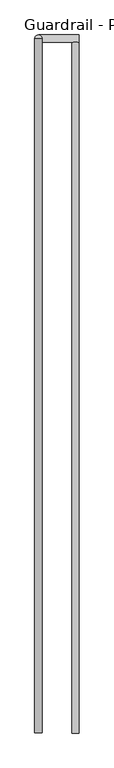
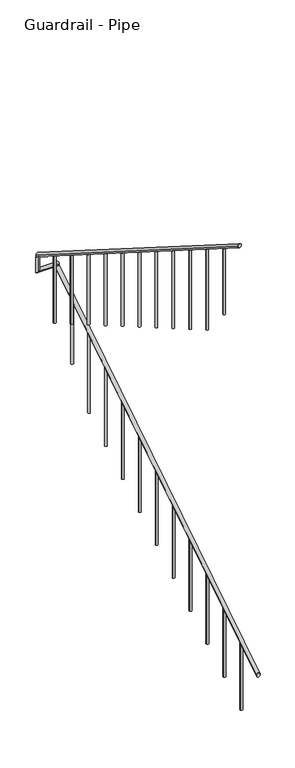
"""IFC4 building model written with IfcOpenShell, lengths in millimetres: railing geometry, Guardrail - Pipe."""

from ifc_helpers import new_model, si_unit, frame, origin, place, context, project, spatial, circle_curve, ellipse_curve, source, transform, mapped, element, save
from ifc_brep_helpers import plane_surface, cylinder_surface, advanced_brep


def guardrail_pipe_ef96b3fa(model_context):
    return source(origin(), model_context, "Body", "AdvancedBrep", [
        advanced_brep(
        [(307192.9957983, -254508.8080223, 916.3134838), (307154.8957983, -254508.8080223, 916.3134838), (307192.9957983, -250895.6580223, 3203.4252683), (307154.8957983, -250895.6580223, 3203.4252683)],
        [
            (0, 1, ellipse_curve(frame((307173.9457983, -254508.8080223, 916.3134838), z_axis=(0.0, -1.0, 0.0), x_axis=(0.0, 0.0, -1.0)), 22.5457755, 19.05)),
            (1, 0, ellipse_curve(frame((307173.9457983, -254508.8080223, 916.3134838), z_axis=(0.0, -1.0, 0.0), x_axis=(0.0, 0.0, -1.0)), 22.5457755, 19.05)),
            (2, 3, ellipse_curve(frame((307173.9457983, -250895.6580223, 3203.4252683), z_axis=(0.0, 1.0, 0.0), x_axis=(0.0, 0.0, -1.0)), 22.5457755, 19.05)),
            (3, 2, ellipse_curve(frame((307173.9457983, -250895.6580223, 3203.4252683), z_axis=(0.0, 1.0, 0.0), x_axis=(0.0, 0.0, -1.0)), 22.5457755, 19.05)),
            (0, 2),
            (3, 1),
        ],
        [
            plane_surface(frame((307173.9457983, -254508.8080223, 938.8592593), z_axis=(0.0, -1.0, 0.0), x_axis=(0.0, 0.0, 1.0))),
            plane_surface(frame((307173.9457983, -250895.6580223, 3225.9710438), z_axis=(0.0, 1.0, 0.0), x_axis=(0.0, 0.0, 1.0))),
            cylinder_surface(frame((307173.9457983, -254498.6191486, 922.7630065), z_axis=(0.0, -0.8449476488296452, -0.5348490167675869), x_axis=(-1.0, 0.0, 0.0)), 19.05),
        ],
        [
            (0, [[1, 2]]),
            (1, [[3, 4]]),
            (2, [[-1, 5, -4, 6]]),
            (2, [[-2, -6, -3, -5]]),
        ],
    ),
        advanced_brep(
        [(307192.9957983, -250857.5580223, 3218.9796296), (307192.9957983, -250895.6580223, 3218.9796296), (306979.4254676, -250857.5580223, 3218.9796296), (306979.4254676, -250895.6580223, 3218.9796296), (306979.4254676, -250857.5580223, 3357.738752), (306979.4254676, -250895.6580223, 3381.8559237)],
        [
            (0, 1, circle_curve(frame((307192.9957983, -250876.6080223, 3218.9796296), z_axis=(1.0, 0.0, 0.0), x_axis=(0.0, -1.0, 0.0)), 19.05)),
            (1, 0, circle_curve(frame((307192.9957983, -250876.6080223, 3218.9796296), z_axis=(1.0, 0.0, 0.0), x_axis=(0.0, -1.0, 0.0)), 19.05)),
            (0, 2),
            (2, 3, ellipse_curve(frame((306979.4254676, -250876.6080223, 3218.9796296), z_axis=(0.7071067811865475, 0.0, -0.7071067811865475), x_axis=(0.7071067811865476, 0.0, 0.7071067811865474)), 26.9407684, 19.05)),
            (3, 1),
            (3, 2, ellipse_curve(frame((306979.4254676, -250876.6080223, 3218.9796296), z_axis=(0.7071067811865475, 0.0, -0.7071067811865475), x_axis=(0.7071067811865476, 0.0, 0.7071067811865474)), 26.9407684, 19.05)),
            (4, 5, ellipse_curve(frame((306979.4254676, -250876.6080223, 3369.7973379), z_axis=(0.0, 0.5348490167675869, 0.8449476488296452), x_axis=(0.0, 0.8449476488296452, -0.5348490167675869)), 22.5457755, 19.05)),
            (5, 4, ellipse_curve(frame((306979.4254676, -250876.6080223, 3369.7973379), z_axis=(0.0, 0.5348490167675869, 0.8449476488296452), x_axis=(0.0, 0.8449476488296452, -0.5348490167675869)), 22.5457755, 19.05)),
            (2, 4),
            (5, 3),
        ],
        [
            plane_surface(frame((307192.9957983, -250876.6080223, 3238.0296296), z_axis=(1.0, 0.0, 0.0), x_axis=(0.0, -1.0, 0.0))),
            cylinder_surface(frame((307192.9957983, -250876.6080223, 3218.9796296), z_axis=(1.0, 0.0, 0.0), x_axis=(0.0, -1.0, 0.0)), 19.05),
            plane_surface(frame((306998.4754676, -250876.6080223, 3369.7973379), z_axis=(0.0, 0.5348490167675869, 0.8449476488296452), x_axis=(1.0, 0.0, 0.0))),
            cylinder_surface(frame((306979.4254676, -250876.6080223, 3238.0296296), z_axis=(0.0, 0.0, -1.0), x_axis=(0.0, -1.0, 0.0)), 19.05),
        ],
        [
            (0, [[1, 2]]),
            (1, [[-1, 3, 4, 5]]),
            (1, [[-2, -5, 6, -3]]),
            (2, [[7, 8]]),
            (3, [[-4, 9, -8, 10]]),
            (3, [[-6, -10, -7, -9]]),
        ],
    ),
        advanced_brep(
        [(306960.3754676, -250876.6080223, 3392.3431134), (306998.4754676, -250876.6080223, 3392.3431134), (306960.3754676, -254508.8080223, 5691.5134838), (306998.4754676, -254508.8080223, 5691.5134838)],
        [
            (0, 1, ellipse_curve(frame((306979.4254676, -250876.6080223, 3392.3431134), z_axis=(0.0, 1.0, 0.0), x_axis=(0.0, 0.0, -1.0)), 22.5457755, 19.05)),
            (1, 0, ellipse_curve(frame((306979.4254676, -250876.6080223, 3392.3431134), z_axis=(0.0, 1.0, 0.0), x_axis=(0.0, 0.0, -1.0)), 22.5457755, 19.05)),
            (2, 3, ellipse_curve(frame((306979.4254676, -254508.8080223, 5691.5134838), z_axis=(0.0, -1.0, 0.0), x_axis=(0.0, 0.0, -1.0)), 22.5457755, 19.05)),
            (3, 2, ellipse_curve(frame((306979.4254676, -254508.8080223, 5691.5134838), z_axis=(0.0, -1.0, 0.0), x_axis=(0.0, 0.0, -1.0)), 22.5457755, 19.05)),
            (0, 2),
            (3, 1),
        ],
        [
            plane_surface(frame((306979.4254676, -250876.6080223, 3414.8888889), z_axis=(0.0, 1.0, 0.0), x_axis=(0.0, 0.0, -1.0))),
            plane_surface(frame((306979.4254676, -254508.8080223, 5714.0592593), z_axis=(0.0, -1.0, 0.0), x_axis=(0.0, 0.0, -1.0))),
            cylinder_surface(frame((306979.4254676, -250886.7968961, 3398.7926362), z_axis=(0.0, 0.8449476488296452, -0.5348490167675869), x_axis=(1.0, 0.0, 0.0)), 19.05),
        ],
        [
            (0, [[1, 2]]),
            (1, [[3, 4]]),
            (2, [[-1, 5, -4, 6]]),
            (2, [[-2, -6, -3, -5]]),
        ],
    ),
        advanced_brep(
        [(306992.1254676, -254229.4080223, 5492.108449), (306966.7254676, -254229.4080223, 5492.108449), (306966.7254676, -254229.4080223, 4775.2), (306992.1254676, -254229.4080223, 4775.2)],
        [
            (0, 1, ellipse_curve(frame((306979.4254676, -254229.4080223, 5492.108449), z_axis=(0.0, -0.534849016767586, -0.8449476488296459), x_axis=(0.0, -0.8449476488296459, 0.5348490167675857)), 15.030517, 12.7)),
            (1, 2),
            (2, 3, circle_curve(frame((306979.4254676, -254229.4080223, 4775.2), z_axis=(0.0, 0.0, 1.0), x_axis=(-1.0, 0.0, 0.0)), 12.7)),
            (3, 0),
            (3, 2, circle_curve(frame((306979.4254676, -254229.4080223, 4775.2), z_axis=(0.0, 0.0, 1.0), x_axis=(-1.0, 0.0, 0.0)), 12.7)),
            (1, 0, ellipse_curve(frame((306979.4254676, -254229.4080223, 5492.108449), z_axis=(0.0, -0.534849016767586, -0.8449476488296459), x_axis=(0.0, -0.8449476488296459, 0.5348490167675857)), 15.030517, 12.7)),
        ],
        [
            cylinder_surface(frame((306979.4254676, -254229.4080223, 4546.6), z_axis=(0.0, 0.0, 1.0), x_axis=(-1.0, 0.0, 0.0)), 12.7),
            plane_surface(frame((306954.0254676, -254254.8080223, 5508.1865635), z_axis=(0.0, 0.534849016767586, 0.8449476488296459), x_axis=(1.0, 0.0, 0.0))),
            plane_surface(frame((306954.0254676, -254204.0080223, 4775.2), z_axis=(0.0, 0.0, -1.0), x_axis=(1.0, 0.0, 0.0))),
        ],
        [
            (0, [[1, 2, 3, 4]]),
            (0, [[5, -2, 6, -4]]),
            (1, [[-6, -1]]),
            (2, [[-5, -3]]),
        ],
    ),
        advanced_brep(
        [(306992.1254676, -253924.6080223, 5299.1710753), (306966.7254676, -253924.6080223, 5299.1710753), (306966.7254676, -253924.6080223, 4421.4814815), (306992.1254676, -253924.6080223, 4421.4814815)],
        [
            (0, 1, ellipse_curve(frame((306979.4254676, -253924.6080223, 5299.1710753), z_axis=(0.0, -0.5348490167675843, -0.8449476488296469), x_axis=(0.0, -0.8449476488296469, 0.5348490167675843)), 15.030517, 12.7)),
            (1, 2),
            (2, 3, circle_curve(frame((306979.4254676, -253924.6080223, 4421.4814815), z_axis=(0.0, 0.0, 1.0), x_axis=(-1.0, 0.0, 0.0)), 12.7)),
            (3, 0),
            (3, 2, circle_curve(frame((306979.4254676, -253924.6080223, 4421.4814815), z_axis=(0.0, 0.0, 1.0), x_axis=(-1.0, 0.0, 0.0)), 12.7)),
            (1, 0, ellipse_curve(frame((306979.4254676, -253924.6080223, 5299.1710753), z_axis=(0.0, -0.5348490167675843, -0.8449476488296469), x_axis=(0.0, -0.8449476488296469, 0.5348490167675843)), 15.030517, 12.7)),
        ],
        [
            cylinder_surface(frame((306979.4254676, -253924.6080223, 4192.8814815), z_axis=(0.0, 0.0, 1.0), x_axis=(-1.0, 0.0, 0.0)), 12.7),
            plane_surface(frame((306954.0254676, -253950.0080223, 5315.2491897), z_axis=(0.0, 0.5348490167675843, 0.8449476488296469), x_axis=(1.0, 0.0, 0.0))),
            plane_surface(frame((306954.0254676, -253899.2080223, 4421.4814815), z_axis=(0.0, 0.0, -1.0), x_axis=(1.0, 0.0, 0.0))),
        ],
        [
            (0, [[1, 2, 3, 4]]),
            (0, [[5, -2, 6, -4]]),
            (1, [[-6, -1]]),
            (2, [[-5, -3]]),
        ],
    ),
        advanced_brep(
        [(306992.1254676, -253619.8080223, 5106.2337015), (306966.7254676, -253619.8080223, 5106.2337015), (306966.7254676, -253619.8080223, 4244.6222222), (306992.1254676, -253619.8080223, 4244.6222222)],
        [
            (0, 1, ellipse_curve(frame((306979.4254676, -253619.8080223, 5106.2337015), z_axis=(0.0, -0.534849016767586, -0.8449476488296459), x_axis=(0.0, -0.8449476488296459, 0.5348490167675857)), 15.030517, 12.7)),
            (1, 2),
            (2, 3, circle_curve(frame((306979.4254676, -253619.8080223, 4244.6222222), z_axis=(0.0, 0.0, 1.0), x_axis=(-1.0, 0.0, 0.0)), 12.7)),
            (3, 0),
            (3, 2, circle_curve(frame((306979.4254676, -253619.8080223, 4244.6222222), z_axis=(0.0, 0.0, 1.0), x_axis=(-1.0, 0.0, 0.0)), 12.7)),
            (1, 0, ellipse_curve(frame((306979.4254676, -253619.8080223, 5106.2337015), z_axis=(0.0, -0.534849016767586, -0.8449476488296459), x_axis=(0.0, -0.8449476488296459, 0.5348490167675857)), 15.030517, 12.7)),
        ],
        [
            cylinder_surface(frame((306979.4254676, -253619.8080223, 4016.0222222), z_axis=(0.0, 0.0, 1.0), x_axis=(-1.0, 0.0, 0.0)), 12.7),
            plane_surface(frame((306954.0254676, -253645.2080223, 5122.311816), z_axis=(0.0, 0.534849016767586, 0.8449476488296459), x_axis=(1.0, 0.0, 0.0))),
            plane_surface(frame((306954.0254676, -253594.4080223, 4244.6222222), z_axis=(0.0, 0.0, -1.0), x_axis=(1.0, 0.0, 0.0))),
        ],
        [
            (0, [[1, 2, 3, 4]]),
            (0, [[5, -2, 6, -4]]),
            (1, [[-6, -1]]),
            (2, [[-5, -3]]),
        ],
    ),
        advanced_brep(
        [(306992.1254676, -253315.0080223, 4913.2963278), (306966.7254676, -253315.0080223, 4913.2963278), (306966.7254676, -253315.0080223, 4067.762963), (306992.1254676, -253315.0080223, 4067.762963)],
        [
            (0, 1, ellipse_curve(frame((306979.4254676, -253315.0080223, 4913.2963278), z_axis=(0.0, -0.534849016767586, -0.8449476488296459), x_axis=(0.0, -0.8449476488296459, 0.5348490167675857)), 15.030517, 12.7)),
            (1, 2),
            (2, 3, circle_curve(frame((306979.4254676, -253315.0080223, 4067.762963), z_axis=(0.0, 0.0, 1.0), x_axis=(-1.0, 0.0, 0.0)), 12.7)),
            (3, 0),
            (3, 2, circle_curve(frame((306979.4254676, -253315.0080223, 4067.762963), z_axis=(0.0, 0.0, 1.0), x_axis=(-1.0, 0.0, 0.0)), 12.7)),
            (1, 0, ellipse_curve(frame((306979.4254676, -253315.0080223, 4913.2963278), z_axis=(0.0, -0.534849016767586, -0.8449476488296459), x_axis=(0.0, -0.8449476488296459, 0.5348490167675857)), 15.030517, 12.7)),
        ],
        [
            cylinder_surface(frame((306979.4254676, -253315.0080223, 3839.162963), z_axis=(0.0, 0.0, 1.0), x_axis=(-1.0, 0.0, 0.0)), 12.7),
            plane_surface(frame((306954.0254676, -253340.4080223, 4929.3744423), z_axis=(0.0, 0.534849016767586, 0.8449476488296459), x_axis=(1.0, 0.0, 0.0))),
            plane_surface(frame((306954.0254676, -253289.6080223, 4067.762963), z_axis=(0.0, 0.0, -1.0), x_axis=(1.0, 0.0, 0.0))),
        ],
        [
            (0, [[1, 2, 3, 4]]),
            (0, [[5, -2, 6, -4]]),
            (1, [[-6, -1]]),
            (2, [[-5, -3]]),
        ],
    ),
        advanced_brep(
        [(306992.1254676, -253010.2080223, 4720.358954), (306966.7254676, -253010.2080223, 4720.358954), (306966.7254676, -253010.2080223, 3890.9037037), (306992.1254676, -253010.2080223, 3890.9037037)],
        [
            (0, 1, ellipse_curve(frame((306979.4254676, -253010.2080223, 4720.358954), z_axis=(0.0, -0.5348490167675843, -0.8449476488296469), x_axis=(0.0, -0.8449476488296469, 0.5348490167675843)), 15.030517, 12.7)),
            (1, 2),
            (2, 3, circle_curve(frame((306979.4254676, -253010.2080223, 3890.9037037), z_axis=(0.0, 0.0, 1.0), x_axis=(-1.0, 0.0, 0.0)), 12.7)),
            (3, 0),
            (3, 2, circle_curve(frame((306979.4254676, -253010.2080223, 3890.9037037), z_axis=(0.0, 0.0, 1.0), x_axis=(-1.0, 0.0, 0.0)), 12.7)),
            (1, 0, ellipse_curve(frame((306979.4254676, -253010.2080223, 4720.358954), z_axis=(0.0, -0.5348490167675843, -0.8449476488296469), x_axis=(0.0, -0.8449476488296469, 0.5348490167675843)), 15.030517, 12.7)),
        ],
        [
            cylinder_surface(frame((306979.4254676, -253010.2080223, 3662.3037037), z_axis=(0.0, 0.0, 1.0), x_axis=(-1.0, 0.0, 0.0)), 12.7),
            plane_surface(frame((306954.0254676, -253035.6080223, 4736.4370685), z_axis=(0.0, 0.5348490167675843, 0.8449476488296469), x_axis=(1.0, 0.0, 0.0))),
            plane_surface(frame((306954.0254676, -252984.8080223, 3890.9037037), z_axis=(0.0, 0.0, -1.0), x_axis=(1.0, 0.0, 0.0))),
        ],
        [
            (0, [[1, 2, 3, 4]]),
            (0, [[5, -2, 6, -4]]),
            (1, [[-6, -1]]),
            (2, [[-5, -3]]),
        ],
    ),
        advanced_brep(
        [(306992.1254676, -252705.4080223, 4527.4215803), (306966.7254676, -252705.4080223, 4527.4215803), (306966.7254676, -252705.4080223, 3714.0444444), (306992.1254676, -252705.4080223, 3714.0444444)],
        [
            (0, 1, ellipse_curve(frame((306979.4254676, -252705.4080223, 4527.4215803), z_axis=(0.0, -0.5348490167675828, -0.844947648829648), x_axis=(0.0, -0.8449476488296481, 0.5348490167675825)), 15.030517, 12.7)),
            (1, 2),
            (2, 3, circle_curve(frame((306979.4254676, -252705.4080223, 3714.0444444), z_axis=(0.0, 0.0, 1.0), x_axis=(-1.0, 0.0, 0.0)), 12.7)),
            (3, 0),
            (3, 2, circle_curve(frame((306979.4254676, -252705.4080223, 3714.0444444), z_axis=(0.0, 0.0, 1.0), x_axis=(-1.0, 0.0, 0.0)), 12.7)),
            (1, 0, ellipse_curve(frame((306979.4254676, -252705.4080223, 4527.4215803), z_axis=(0.0, -0.5348490167675828, -0.844947648829648), x_axis=(0.0, -0.8449476488296481, 0.5348490167675825)), 15.030517, 12.7)),
        ],
        [
            cylinder_surface(frame((306979.4254676, -252705.4080223, 3485.4444444), z_axis=(0.0, 0.0, 1.0), x_axis=(-1.0, 0.0, 0.0)), 12.7),
            plane_surface(frame((306954.0254676, -252730.8080223, 4543.4996948), z_axis=(0.0, 0.5348490167675828, 0.844947648829648), x_axis=(1.0, 0.0, 0.0))),
            plane_surface(frame((306954.0254676, -252680.0080223, 3714.0444444), z_axis=(0.0, 0.0, -1.0), x_axis=(1.0, 0.0, 0.0))),
        ],
        [
            (0, [[1, 2, 3, 4]]),
            (0, [[5, -2, 6, -4]]),
            (1, [[-6, -1]]),
            (2, [[-5, -3]]),
        ],
    ),
        advanced_brep(
        [(306992.1254676, -252400.6080223, 4334.4842066), (306966.7254676, -252400.6080223, 4334.4842066), (306966.7254676, -252400.6080223, 3537.1851852), (306992.1254676, -252400.6080223, 3537.1851852)],
        [
            (0, 1, ellipse_curve(frame((306979.4254676, -252400.6080223, 4334.4842066), z_axis=(0.0, -0.5348490167675843, -0.8449476488296469), x_axis=(0.0, -0.8449476488296469, 0.5348490167675843)), 15.030517, 12.7)),
            (1, 2),
            (2, 3, circle_curve(frame((306979.4254676, -252400.6080223, 3537.1851852), z_axis=(0.0, 0.0, 1.0), x_axis=(-1.0, 0.0, 0.0)), 12.7)),
            (3, 0),
            (3, 2, circle_curve(frame((306979.4254676, -252400.6080223, 3537.1851852), z_axis=(0.0, 0.0, 1.0), x_axis=(-1.0, 0.0, 0.0)), 12.7)),
            (1, 0, ellipse_curve(frame((306979.4254676, -252400.6080223, 4334.4842066), z_axis=(0.0, -0.5348490167675843, -0.8449476488296469), x_axis=(0.0, -0.8449476488296469, 0.5348490167675843)), 15.030517, 12.7)),
        ],
        [
            cylinder_surface(frame((306979.4254676, -252400.6080223, 3308.5851852), z_axis=(0.0, 0.0, 1.0), x_axis=(-1.0, 0.0, 0.0)), 12.7),
            plane_surface(frame((306954.0254676, -252426.0080223, 4350.5623211), z_axis=(0.0, 0.5348490167675843, 0.8449476488296469), x_axis=(1.0, 0.0, 0.0))),
            plane_surface(frame((306954.0254676, -252375.2080223, 3537.1851852), z_axis=(0.0, 0.0, -1.0), x_axis=(1.0, 0.0, 0.0))),
        ],
        [
            (0, [[1, 2, 3, 4]]),
            (0, [[5, -2, 6, -4]]),
            (1, [[-6, -1]]),
            (2, [[-5, -3]]),
        ],
    ),
        advanced_brep(
        [(306992.1254676, -252095.8080223, 4141.5468328), (306966.7254676, -252095.8080223, 4141.5468328), (306966.7254676, -252095.8080223, 3360.3259259), (306992.1254676, -252095.8080223, 3360.3259259)],
        [
            (0, 1, ellipse_curve(frame((306979.4254676, -252095.8080223, 4141.5468328), z_axis=(0.0, -0.5348490167675843, -0.8449476488296469), x_axis=(0.0, -0.8449476488296469, 0.5348490167675843)), 15.030517, 12.7)),
            (1, 2),
            (2, 3, circle_curve(frame((306979.4254676, -252095.8080223, 3360.3259259), z_axis=(0.0, 0.0, 1.0), x_axis=(-1.0, 0.0, 0.0)), 12.7)),
            (3, 0),
            (3, 2, circle_curve(frame((306979.4254676, -252095.8080223, 3360.3259259), z_axis=(0.0, 0.0, 1.0), x_axis=(-1.0, 0.0, 0.0)), 12.7)),
            (1, 0, ellipse_curve(frame((306979.4254676, -252095.8080223, 4141.5468328), z_axis=(0.0, -0.5348490167675843, -0.8449476488296469), x_axis=(0.0, -0.8449476488296469, 0.5348490167675843)), 15.030517, 12.7)),
        ],
        [
            cylinder_surface(frame((306979.4254676, -252095.8080223, 3131.7259259), z_axis=(0.0, 0.0, 1.0), x_axis=(-1.0, 0.0, 0.0)), 12.7),
            plane_surface(frame((306954.0254676, -252121.2080223, 4157.6249473), z_axis=(0.0, 0.5348490167675843, 0.8449476488296469), x_axis=(1.0, 0.0, 0.0))),
            plane_surface(frame((306954.0254676, -252070.4080223, 3360.3259259), z_axis=(0.0, 0.0, -1.0), x_axis=(1.0, 0.0, 0.0))),
        ],
        [
            (0, [[1, 2, 3, 4]]),
            (0, [[5, -2, 6, -4]]),
            (1, [[-6, -1]]),
            (2, [[-5, -3]]),
        ],
    ),
        advanced_brep(
        [(306992.1254676, -251791.0080223, 3948.6094591), (306966.7254676, -251791.0080223, 3948.6094591), (306966.7254676, -251791.0080223, 3183.4666667), (306992.1254676, -251791.0080223, 3183.4666667)],
        [
            (0, 1, ellipse_curve(frame((306979.4254676, -251791.0080223, 3948.6094591), z_axis=(0.0, -0.5348490167675843, -0.8449476488296469), x_axis=(0.0, -0.8449476488296469, 0.5348490167675843)), 15.030517, 12.7)),
            (1, 2),
            (2, 3, circle_curve(frame((306979.4254676, -251791.0080223, 3183.4666667), z_axis=(0.0, 0.0, 1.0), x_axis=(-1.0, 0.0, 0.0)), 12.7)),
            (3, 0),
            (3, 2, circle_curve(frame((306979.4254676, -251791.0080223, 3183.4666667), z_axis=(0.0, 0.0, 1.0), x_axis=(-1.0, 0.0, 0.0)), 12.7)),
            (1, 0, ellipse_curve(frame((306979.4254676, -251791.0080223, 3948.6094591), z_axis=(0.0, -0.5348490167675843, -0.8449476488296469), x_axis=(0.0, -0.8449476488296469, 0.5348490167675843)), 15.030517, 12.7)),
        ],
        [
            cylinder_surface(frame((306979.4254676, -251791.0080223, 2954.8666667), z_axis=(0.0, 0.0, 1.0), x_axis=(-1.0, 0.0, 0.0)), 12.7),
            plane_surface(frame((306954.0254676, -251816.4080223, 3964.6875736), z_axis=(0.0, 0.5348490167675843, 0.8449476488296469), x_axis=(1.0, 0.0, 0.0))),
            plane_surface(frame((306954.0254676, -251765.6080223, 3183.4666667), z_axis=(0.0, 0.0, -1.0), x_axis=(1.0, 0.0, 0.0))),
        ],
        [
            (0, [[1, 2, 3, 4]]),
            (0, [[5, -2, 6, -4]]),
            (1, [[-6, -1]]),
            (2, [[-5, -3]]),
        ],
    ),
        advanced_brep(
        [(306992.1254676, -251486.2080223, 3755.6720854), (306966.7254676, -251486.2080223, 3755.6720854), (306966.7254676, -251486.2080223, 3006.6074074), (306992.1254676, -251486.2080223, 3006.6074074)],
        [
            (0, 1, ellipse_curve(frame((306979.4254676, -251486.2080223, 3755.6720854), z_axis=(0.0, -0.534849016767586, -0.8449476488296459), x_axis=(0.0, -0.8449476488296459, 0.5348490167675857)), 15.030517, 12.7)),
            (1, 2),
            (2, 3, circle_curve(frame((306979.4254676, -251486.2080223, 3006.6074074), z_axis=(0.0, 0.0, 1.0), x_axis=(-1.0, 0.0, 0.0)), 12.7)),
            (3, 0),
            (3, 2, circle_curve(frame((306979.4254676, -251486.2080223, 3006.6074074), z_axis=(0.0, 0.0, 1.0), x_axis=(-1.0, 0.0, 0.0)), 12.7)),
            (1, 0, ellipse_curve(frame((306979.4254676, -251486.2080223, 3755.6720854), z_axis=(0.0, -0.534849016767586, -0.8449476488296459), x_axis=(0.0, -0.8449476488296459, 0.5348490167675857)), 15.030517, 12.7)),
        ],
        [
            cylinder_surface(frame((306979.4254676, -251486.2080223, 2778.0074074), z_axis=(0.0, 0.0, 1.0), x_axis=(-1.0, 0.0, 0.0)), 12.7),
            plane_surface(frame((306954.0254676, -251511.6080223, 3771.7501998), z_axis=(0.0, 0.534849016767586, 0.8449476488296459), x_axis=(1.0, 0.0, 0.0))),
            plane_surface(frame((306954.0254676, -251460.8080223, 3006.6074074), z_axis=(0.0, 0.0, -1.0), x_axis=(1.0, 0.0, 0.0))),
        ],
        [
            (0, [[1, 2, 3, 4]]),
            (0, [[5, -2, 6, -4]]),
            (1, [[-6, -1]]),
            (2, [[-5, -3]]),
        ],
    ),
        advanced_brep(
        [(306992.1254676, -251181.4080223, 3562.7347116), (306966.7254676, -251181.4080223, 3562.7347116), (306966.7254676, -251181.4080223, 2829.7481481), (306992.1254676, -251181.4080223, 2829.7481481)],
        [
            (0, 1, ellipse_curve(frame((306979.4254676, -251181.4080223, 3562.7347116), z_axis=(0.0, -0.5348490167675828, -0.844947648829648), x_axis=(0.0, -0.8449476488296481, 0.5348490167675825)), 15.030517, 12.7)),
            (1, 2),
            (2, 3, circle_curve(frame((306979.4254676, -251181.4080223, 2829.7481481), z_axis=(0.0, 0.0, 1.0), x_axis=(-1.0, 0.0, 0.0)), 12.7)),
            (3, 0),
            (3, 2, circle_curve(frame((306979.4254676, -251181.4080223, 2829.7481481), z_axis=(0.0, 0.0, 1.0), x_axis=(-1.0, 0.0, 0.0)), 12.7)),
            (1, 0, ellipse_curve(frame((306979.4254676, -251181.4080223, 3562.7347116), z_axis=(0.0, -0.5348490167675828, -0.844947648829648), x_axis=(0.0, -0.8449476488296481, 0.5348490167675825)), 15.030517, 12.7)),
        ],
        [
            cylinder_surface(frame((306979.4254676, -251181.4080223, 2601.1481481), z_axis=(0.0, 0.0, 1.0), x_axis=(-1.0, 0.0, 0.0)), 12.7),
            plane_surface(frame((306954.0254676, -251206.8080223, 3578.8128261), z_axis=(0.0, 0.5348490167675828, 0.844947648829648), x_axis=(1.0, 0.0, 0.0))),
            plane_surface(frame((306954.0254676, -251156.0080223, 2829.7481481), z_axis=(0.0, 0.0, -1.0), x_axis=(1.0, 0.0, 0.0))),
        ],
        [
            (0, [[1, 2, 3, 4]]),
            (0, [[5, -2, 6, -4]]),
            (1, [[-6, -1]]),
            (2, [[-5, -3]]),
        ],
    ),
        advanced_brep(
        [(307161.2457983, -251156.0080223, 3016.0788194), (307186.6457983, -251156.0080223, 3016.0788194), (307186.6457983, -251156.0080223, 2299.1703704), (307161.2457983, -251156.0080223, 2299.1703704)],
        [
            (0, 1, ellipse_curve(frame((307173.9457983, -251156.0080223, 3016.0788194), z_axis=(0.0, 0.534849016767586, -0.8449476488296459), x_axis=(0.0, 0.8449476488296459, 0.5348490167675857)), 15.030517, 12.7)),
            (1, 2),
            (2, 3, circle_curve(frame((307173.9457983, -251156.0080223, 2299.1703704), z_axis=(0.0, 0.0, 1.0), x_axis=(1.0, 0.0, 0.0)), 12.7)),
            (3, 0),
            (3, 2, circle_curve(frame((307173.9457983, -251156.0080223, 2299.1703704), z_axis=(0.0, 0.0, 1.0), x_axis=(1.0, 0.0, 0.0)), 12.7)),
            (1, 0, ellipse_curve(frame((307173.9457983, -251156.0080223, 3016.0788194), z_axis=(0.0, 0.534849016767586, -0.8449476488296459), x_axis=(0.0, 0.8449476488296459, 0.5348490167675857)), 15.030517, 12.7)),
        ],
        [
            cylinder_surface(frame((307173.9457983, -251156.0080223, 2070.5703704), z_axis=(0.0, 0.0, 1.0), x_axis=(1.0, 0.0, 0.0)), 12.7),
            plane_surface(frame((307199.3457983, -251130.6080223, 3032.1569338), z_axis=(0.0, -0.534849016767586, 0.8449476488296459), x_axis=(-1.0, 0.0, 0.0))),
            plane_surface(frame((307199.3457983, -251181.4080223, 2299.1703704), z_axis=(0.0, 0.0, -1.0), x_axis=(-1.0, 0.0, 0.0))),
        ],
        [
            (0, [[1, 2, 3, 4]]),
            (0, [[5, -2, 6, -4]]),
            (1, [[-6, -1]]),
            (2, [[-5, -3]]),
        ],
    ),
        advanced_brep(
        [(307161.2457983, -251460.8080223, 2823.1414456), (307186.6457983, -251460.8080223, 2823.1414456), (307186.6457983, -251460.8080223, 1945.4518519), (307161.2457983, -251460.8080223, 1945.4518519)],
        [
            (0, 1, ellipse_curve(frame((307173.9457983, -251460.8080223, 2823.1414456), z_axis=(0.0, 0.5348490167675843, -0.8449476488296469), x_axis=(0.0, 0.8449476488296469, 0.5348490167675843)), 15.030517, 12.7)),
            (1, 2),
            (2, 3, circle_curve(frame((307173.9457983, -251460.8080223, 1945.4518519), z_axis=(0.0, 0.0, 1.0), x_axis=(1.0, 0.0, 0.0)), 12.7)),
            (3, 0),
            (3, 2, circle_curve(frame((307173.9457983, -251460.8080223, 1945.4518519), z_axis=(0.0, 0.0, 1.0), x_axis=(1.0, 0.0, 0.0)), 12.7)),
            (1, 0, ellipse_curve(frame((307173.9457983, -251460.8080223, 2823.1414456), z_axis=(0.0, 0.5348490167675843, -0.8449476488296469), x_axis=(0.0, 0.8449476488296469, 0.5348490167675843)), 15.030517, 12.7)),
        ],
        [
            cylinder_surface(frame((307173.9457983, -251460.8080223, 1716.8518519), z_axis=(0.0, 0.0, 1.0), x_axis=(1.0, 0.0, 0.0)), 12.7),
            plane_surface(frame((307199.3457983, -251435.4080223, 2839.2195601), z_axis=(0.0, -0.5348490167675843, 0.8449476488296469), x_axis=(-1.0, 0.0, 0.0))),
            plane_surface(frame((307199.3457983, -251486.2080223, 1945.4518519), z_axis=(0.0, 0.0, -1.0), x_axis=(-1.0, 0.0, 0.0))),
        ],
        [
            (0, [[1, 2, 3, 4]]),
            (0, [[5, -2, 6, -4]]),
            (1, [[-6, -1]]),
            (2, [[-5, -3]]),
        ],
    ),
        advanced_brep(
        [(307161.2457983, -251765.6080223, 2630.2040719), (307186.6457983, -251765.6080223, 2630.2040719), (307186.6457983, -251765.6080223, 1768.5925926), (307161.2457983, -251765.6080223, 1768.5925926)],
        [
            (0, 1, ellipse_curve(frame((307173.9457983, -251765.6080223, 2630.2040719), z_axis=(0.0, 0.534849016767586, -0.8449476488296459), x_axis=(0.0, 0.8449476488296459, 0.5348490167675857)), 15.030517, 12.7)),
            (1, 2),
            (2, 3, circle_curve(frame((307173.9457983, -251765.6080223, 1768.5925926), z_axis=(0.0, 0.0, 1.0), x_axis=(1.0, 0.0, 0.0)), 12.7)),
            (3, 0),
            (3, 2, circle_curve(frame((307173.9457983, -251765.6080223, 1768.5925926), z_axis=(0.0, 0.0, 1.0), x_axis=(1.0, 0.0, 0.0)), 12.7)),
            (1, 0, ellipse_curve(frame((307173.9457983, -251765.6080223, 2630.2040719), z_axis=(0.0, 0.534849016767586, -0.8449476488296459), x_axis=(0.0, 0.8449476488296459, 0.5348490167675857)), 15.030517, 12.7)),
        ],
        [
            cylinder_surface(frame((307173.9457983, -251765.6080223, 1539.9925926), z_axis=(0.0, 0.0, 1.0), x_axis=(1.0, 0.0, 0.0)), 12.7),
            plane_surface(frame((307199.3457983, -251740.2080223, 2646.2821864), z_axis=(0.0, -0.534849016767586, 0.8449476488296459), x_axis=(-1.0, 0.0, 0.0))),
            plane_surface(frame((307199.3457983, -251791.0080223, 1768.5925926), z_axis=(0.0, 0.0, -1.0), x_axis=(-1.0, 0.0, 0.0))),
        ],
        [
            (0, [[1, 2, 3, 4]]),
            (0, [[5, -2, 6, -4]]),
            (1, [[-6, -1]]),
            (2, [[-5, -3]]),
        ],
    ),
        advanced_brep(
        [(307161.2457983, -252070.4080223, 2437.2666982), (307186.6457983, -252070.4080223, 2437.2666982), (307186.6457983, -252070.4080223, 1591.7333333), (307161.2457983, -252070.4080223, 1591.7333333)],
        [
            (0, 1, ellipse_curve(frame((307173.9457983, -252070.4080223, 2437.2666982), z_axis=(0.0, 0.534849016767586, -0.8449476488296459), x_axis=(0.0, 0.8449476488296459, 0.5348490167675857)), 15.030517, 12.7)),
            (1, 2),
            (2, 3, circle_curve(frame((307173.9457983, -252070.4080223, 1591.7333333), z_axis=(0.0, 0.0, 1.0), x_axis=(1.0, 0.0, 0.0)), 12.7)),
            (3, 0),
            (3, 2, circle_curve(frame((307173.9457983, -252070.4080223, 1591.7333333), z_axis=(0.0, 0.0, 1.0), x_axis=(1.0, 0.0, 0.0)), 12.7)),
            (1, 0, ellipse_curve(frame((307173.9457983, -252070.4080223, 2437.2666982), z_axis=(0.0, 0.534849016767586, -0.8449476488296459), x_axis=(0.0, 0.8449476488296459, 0.5348490167675857)), 15.030517, 12.7)),
        ],
        [
            cylinder_surface(frame((307173.9457983, -252070.4080223, 1363.1333333), z_axis=(0.0, 0.0, 1.0), x_axis=(1.0, 0.0, 0.0)), 12.7),
            plane_surface(frame((307199.3457983, -252045.0080223, 2453.3448126), z_axis=(0.0, -0.534849016767586, 0.8449476488296459), x_axis=(-1.0, 0.0, 0.0))),
            plane_surface(frame((307199.3457983, -252095.8080223, 1591.7333333), z_axis=(0.0, 0.0, -1.0), x_axis=(-1.0, 0.0, 0.0))),
        ],
        [
            (0, [[1, 2, 3, 4]]),
            (0, [[5, -2, 6, -4]]),
            (1, [[-6, -1]]),
            (2, [[-5, -3]]),
        ],
    ),
        advanced_brep(
        [(307161.2457983, -252375.2080223, 2244.3293244), (307186.6457983, -252375.2080223, 2244.3293244), (307186.6457983, -252375.2080223, 1414.8740741), (307161.2457983, -252375.2080223, 1414.8740741)],
        [
            (0, 1, ellipse_curve(frame((307173.9457983, -252375.2080223, 2244.3293244), z_axis=(0.0, 0.5348490167675843, -0.8449476488296469), x_axis=(0.0, 0.8449476488296469, 0.5348490167675843)), 15.030517, 12.7)),
            (1, 2),
            (2, 3, circle_curve(frame((307173.9457983, -252375.2080223, 1414.8740741), z_axis=(0.0, 0.0, 1.0), x_axis=(1.0, 0.0, 0.0)), 12.7)),
            (3, 0),
            (3, 2, circle_curve(frame((307173.9457983, -252375.2080223, 1414.8740741), z_axis=(0.0, 0.0, 1.0), x_axis=(1.0, 0.0, 0.0)), 12.7)),
            (1, 0, ellipse_curve(frame((307173.9457983, -252375.2080223, 2244.3293244), z_axis=(0.0, 0.5348490167675843, -0.8449476488296469), x_axis=(0.0, 0.8449476488296469, 0.5348490167675843)), 15.030517, 12.7)),
        ],
        [
            cylinder_surface(frame((307173.9457983, -252375.2080223, 1186.2740741), z_axis=(0.0, 0.0, 1.0), x_axis=(1.0, 0.0, 0.0)), 12.7),
            plane_surface(frame((307199.3457983, -252349.8080223, 2260.4074389), z_axis=(0.0, -0.5348490167675843, 0.8449476488296469), x_axis=(-1.0, 0.0, 0.0))),
            plane_surface(frame((307199.3457983, -252400.6080223, 1414.8740741), z_axis=(0.0, 0.0, -1.0), x_axis=(-1.0, 0.0, 0.0))),
        ],
        [
            (0, [[1, 2, 3, 4]]),
            (0, [[5, -2, 6, -4]]),
            (1, [[-6, -1]]),
            (2, [[-5, -3]]),
        ],
    ),
        advanced_brep(
        [(307161.2457983, -252680.0080223, 2051.3919507), (307186.6457983, -252680.0080223, 2051.3919507), (307186.6457983, -252680.0080223, 1238.0148148), (307161.2457983, -252680.0080223, 1238.0148148)],
        [
            (0, 1, ellipse_curve(frame((307173.9457983, -252680.0080223, 2051.3919507), z_axis=(0.0, 0.5348490167675828, -0.844947648829648), x_axis=(0.0, 0.8449476488296481, 0.5348490167675825)), 15.030517, 12.7)),
            (1, 2),
            (2, 3, circle_curve(frame((307173.9457983, -252680.0080223, 1238.0148148), z_axis=(0.0, 0.0, 1.0), x_axis=(1.0, 0.0, 0.0)), 12.7)),
            (3, 0),
            (3, 2, circle_curve(frame((307173.9457983, -252680.0080223, 1238.0148148), z_axis=(0.0, 0.0, 1.0), x_axis=(1.0, 0.0, 0.0)), 12.7)),
            (1, 0, ellipse_curve(frame((307173.9457983, -252680.0080223, 2051.3919507), z_axis=(0.0, 0.5348490167675828, -0.844947648829648), x_axis=(0.0, 0.8449476488296481, 0.5348490167675825)), 15.030517, 12.7)),
        ],
        [
            cylinder_surface(frame((307173.9457983, -252680.0080223, 1009.4148148), z_axis=(0.0, 0.0, 1.0), x_axis=(1.0, 0.0, 0.0)), 12.7),
            plane_surface(frame((307199.3457983, -252654.6080223, 2067.4700652), z_axis=(0.0, -0.5348490167675828, 0.844947648829648), x_axis=(-1.0, 0.0, 0.0))),
            plane_surface(frame((307199.3457983, -252705.4080223, 1238.0148148), z_axis=(0.0, 0.0, -1.0), x_axis=(-1.0, 0.0, 0.0))),
        ],
        [
            (0, [[1, 2, 3, 4]]),
            (0, [[5, -2, 6, -4]]),
            (1, [[-6, -1]]),
            (2, [[-5, -3]]),
        ],
    ),
        advanced_brep(
        [(307161.2457983, -252984.8080223, 1858.4545769), (307186.6457983, -252984.8080223, 1858.4545769), (307186.6457983, -252984.8080223, 1061.1555556), (307161.2457983, -252984.8080223, 1061.1555556)],
        [
            (0, 1, ellipse_curve(frame((307173.9457983, -252984.8080223, 1858.4545769), z_axis=(0.0, 0.5348490167675843, -0.8449476488296469), x_axis=(0.0, 0.8449476488296469, 0.5348490167675843)), 15.030517, 12.7)),
            (1, 2),
            (2, 3, circle_curve(frame((307173.9457983, -252984.8080223, 1061.1555556), z_axis=(0.0, 0.0, 1.0), x_axis=(1.0, 0.0, 0.0)), 12.7)),
            (3, 0),
            (3, 2, circle_curve(frame((307173.9457983, -252984.8080223, 1061.1555556), z_axis=(0.0, 0.0, 1.0), x_axis=(1.0, 0.0, 0.0)), 12.7)),
            (1, 0, ellipse_curve(frame((307173.9457983, -252984.8080223, 1858.4545769), z_axis=(0.0, 0.5348490167675843, -0.8449476488296469), x_axis=(0.0, 0.8449476488296469, 0.5348490167675843)), 15.030517, 12.7)),
        ],
        [
            cylinder_surface(frame((307173.9457983, -252984.8080223, 832.5555556), z_axis=(0.0, 0.0, 1.0), x_axis=(1.0, 0.0, 0.0)), 12.7),
            plane_surface(frame((307199.3457983, -252959.4080223, 1874.5326914), z_axis=(0.0, -0.5348490167675843, 0.8449476488296469), x_axis=(-1.0, 0.0, 0.0))),
            plane_surface(frame((307199.3457983, -253010.2080223, 1061.1555556), z_axis=(0.0, 0.0, -1.0), x_axis=(-1.0, 0.0, 0.0))),
        ],
        [
            (0, [[1, 2, 3, 4]]),
            (0, [[5, -2, 6, -4]]),
            (1, [[-6, -1]]),
            (2, [[-5, -3]]),
        ],
    ),
        advanced_brep(
        [(307161.2457983, -253289.6080223, 1665.5172032), (307186.6457983, -253289.6080223, 1665.5172032), (307186.6457983, -253289.6080223, 884.2962963), (307161.2457983, -253289.6080223, 884.2962963)],
        [
            (0, 1, ellipse_curve(frame((307173.9457983, -253289.6080223, 1665.5172032), z_axis=(0.0, 0.5348490167675843, -0.8449476488296469), x_axis=(0.0, 0.8449476488296469, 0.5348490167675843)), 15.030517, 12.7)),
            (1, 2),
            (2, 3, circle_curve(frame((307173.9457983, -253289.6080223, 884.2962963), z_axis=(0.0, 0.0, 1.0), x_axis=(1.0, 0.0, 0.0)), 12.7)),
            (3, 0),
            (3, 2, circle_curve(frame((307173.9457983, -253289.6080223, 884.2962963), z_axis=(0.0, 0.0, 1.0), x_axis=(1.0, 0.0, 0.0)), 12.7)),
            (1, 0, ellipse_curve(frame((307173.9457983, -253289.6080223, 1665.5172032), z_axis=(0.0, 0.5348490167675843, -0.8449476488296469), x_axis=(0.0, 0.8449476488296469, 0.5348490167675843)), 15.030517, 12.7)),
        ],
        [
            cylinder_surface(frame((307173.9457983, -253289.6080223, 655.6962963), z_axis=(0.0, 0.0, 1.0), x_axis=(1.0, 0.0, 0.0)), 12.7),
            plane_surface(frame((307199.3457983, -253264.2080223, 1681.5953177), z_axis=(0.0, -0.5348490167675843, 0.8449476488296469), x_axis=(-1.0, 0.0, 0.0))),
            plane_surface(frame((307199.3457983, -253315.0080223, 884.2962963), z_axis=(0.0, 0.0, -1.0), x_axis=(-1.0, 0.0, 0.0))),
        ],
        [
            (0, [[1, 2, 3, 4]]),
            (0, [[5, -2, 6, -4]]),
            (1, [[-6, -1]]),
            (2, [[-5, -3]]),
        ],
    ),
        advanced_brep(
        [(307161.2457983, -253594.4080223, 1472.5798295), (307186.6457983, -253594.4080223, 1472.5798295), (307186.6457983, -253594.4080223, 707.437037), (307161.2457983, -253594.4080223, 707.437037)],
        [
            (0, 1, ellipse_curve(frame((307173.9457983, -253594.4080223, 1472.5798295), z_axis=(0.0, 0.5348490167675843, -0.8449476488296469), x_axis=(0.0, 0.8449476488296469, 0.5348490167675843)), 15.030517, 12.7)),
            (1, 2),
            (2, 3, circle_curve(frame((307173.9457983, -253594.4080223, 707.437037), z_axis=(0.0, 0.0, 1.0), x_axis=(1.0, 0.0, 0.0)), 12.7)),
            (3, 0),
            (3, 2, circle_curve(frame((307173.9457983, -253594.4080223, 707.437037), z_axis=(0.0, 0.0, 1.0), x_axis=(1.0, 0.0, 0.0)), 12.7)),
            (1, 0, ellipse_curve(frame((307173.9457983, -253594.4080223, 1472.5798295), z_axis=(0.0, 0.5348490167675843, -0.8449476488296469), x_axis=(0.0, 0.8449476488296469, 0.5348490167675843)), 15.030517, 12.7)),
        ],
        [
            cylinder_surface(frame((307173.9457983, -253594.4080223, 478.837037), z_axis=(0.0, 0.0, 1.0), x_axis=(1.0, 0.0, 0.0)), 12.7),
            plane_surface(frame((307199.3457983, -253569.0080223, 1488.6579439), z_axis=(0.0, -0.5348490167675843, 0.8449476488296469), x_axis=(-1.0, 0.0, 0.0))),
            plane_surface(frame((307199.3457983, -253619.8080223, 707.437037), z_axis=(0.0, 0.0, -1.0), x_axis=(-1.0, 0.0, 0.0))),
        ],
        [
            (0, [[1, 2, 3, 4]]),
            (0, [[5, -2, 6, -4]]),
            (1, [[-6, -1]]),
            (2, [[-5, -3]]),
        ],
    ),
        advanced_brep(
        [(307161.2457983, -253899.2080223, 1279.6424557), (307186.6457983, -253899.2080223, 1279.6424557), (307186.6457983, -253899.2080223, 530.5777778), (307161.2457983, -253899.2080223, 530.5777778)],
        [
            (0, 1, ellipse_curve(frame((307173.9457983, -253899.2080223, 1279.6424557), z_axis=(0.0, 0.534849016767586, -0.8449476488296459), x_axis=(0.0, 0.8449476488296459, 0.5348490167675857)), 15.030517, 12.7)),
            (1, 2),
            (2, 3, circle_curve(frame((307173.9457983, -253899.2080223, 530.5777778), z_axis=(0.0, 0.0, 1.0), x_axis=(1.0, 0.0, 0.0)), 12.7)),
            (3, 0),
            (3, 2, circle_curve(frame((307173.9457983, -253899.2080223, 530.5777778), z_axis=(0.0, 0.0, 1.0), x_axis=(1.0, 0.0, 0.0)), 12.7)),
            (1, 0, ellipse_curve(frame((307173.9457983, -253899.2080223, 1279.6424557), z_axis=(0.0, 0.534849016767586, -0.8449476488296459), x_axis=(0.0, 0.8449476488296459, 0.5348490167675857)), 15.030517, 12.7)),
        ],
        [
            cylinder_surface(frame((307173.9457983, -253899.2080223, 301.9777778), z_axis=(0.0, 0.0, 1.0), x_axis=(1.0, 0.0, 0.0)), 12.7),
            plane_surface(frame((307199.3457983, -253873.8080223, 1295.7205702), z_axis=(0.0, -0.534849016767586, 0.8449476488296459), x_axis=(-1.0, 0.0, 0.0))),
            plane_surface(frame((307199.3457983, -253924.6080223, 530.5777778), z_axis=(0.0, 0.0, -1.0), x_axis=(-1.0, 0.0, 0.0))),
        ],
        [
            (0, [[1, 2, 3, 4]]),
            (0, [[5, -2, 6, -4]]),
            (1, [[-6, -1]]),
            (2, [[-5, -3]]),
        ],
    ),
        advanced_brep(
        [(307161.2457983, -254204.0080223, 1086.705082), (307186.6457983, -254204.0080223, 1086.705082), (307186.6457983, -254204.0080223, 353.7185185), (307161.2457983, -254204.0080223, 353.7185185)],
        [
            (0, 1, ellipse_curve(frame((307173.9457983, -254204.0080223, 1086.705082), z_axis=(0.0, 0.5348490167675828, -0.844947648829648), x_axis=(0.0, 0.8449476488296481, 0.5348490167675825)), 15.030517, 12.7)),
            (1, 2),
            (2, 3, circle_curve(frame((307173.9457983, -254204.0080223, 353.7185185), z_axis=(0.0, 0.0, 1.0), x_axis=(1.0, 0.0, 0.0)), 12.7)),
            (3, 0),
            (3, 2, circle_curve(frame((307173.9457983, -254204.0080223, 353.7185185), z_axis=(0.0, 0.0, 1.0), x_axis=(1.0, 0.0, 0.0)), 12.7)),
            (1, 0, ellipse_curve(frame((307173.9457983, -254204.0080223, 1086.705082), z_axis=(0.0, 0.5348490167675828, -0.844947648829648), x_axis=(0.0, 0.8449476488296481, 0.5348490167675825)), 15.030517, 12.7)),
        ],
        [
            cylinder_surface(frame((307173.9457983, -254204.0080223, 125.1185185), z_axis=(0.0, 0.0, 1.0), x_axis=(1.0, 0.0, 0.0)), 12.7),
            plane_surface(frame((307199.3457983, -254178.6080223, 1102.7831965), z_axis=(0.0, -0.5348490167675828, 0.844947648829648), x_axis=(-1.0, 0.0, 0.0))),
            plane_surface(frame((307199.3457983, -254229.4080223, 353.7185185), z_axis=(0.0, 0.0, -1.0), x_axis=(-1.0, 0.0, 0.0))),
        ],
        [
            (0, [[1, 2, 3, 4]]),
            (0, [[5, -2, 6, -4]]),
            (1, [[-6, -1]]),
            (2, [[-5, -3]]),
        ],
    ),
    ])


if __name__ == "__main__":
    model = new_model("IFC4")
    model_context = context("Model", 3, world=origin())
    ifc_project = project(units=[si_unit("LENGTHUNIT", "METRE", prefix="MILLI")], contexts=[model_context])
    site = spatial("IfcSite", under=ifc_project)
    building = spatial("IfcBuilding", under=site)
    placement = place(None, origin())
    guardrail_pipe_shape = guardrail_pipe_ef96b3fa(model_context)
    element("IfcRailing", 1, ObjectType="Guardrail - Pipe", at=placement, inside=building, context=model_context, shape_type="MappedRepresentation", body=[
        mapped(guardrail_pipe_shape, transform((0.0, 0.0, 0.0), x_axis=(1.0, 0.0, 0.0), y_axis=(0.0, 1.0, 0.0), z_axis=(0.0, 0.0, 1.0))),
    ])
    save(model, "model.ifc")
